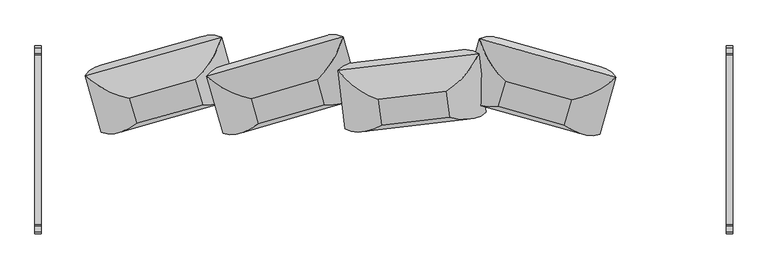
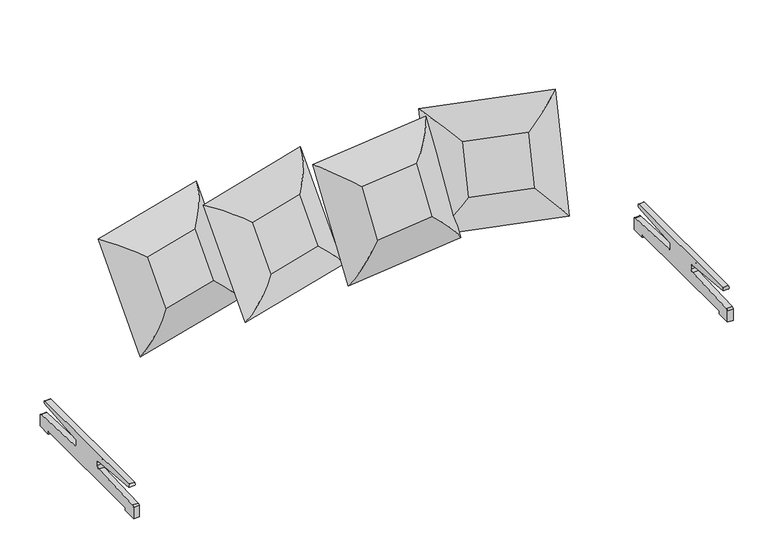
"""IFC4 building model written with IfcOpenShell, lengths in millimetres: furniture geometry."""

from ifc_helpers import new_model, si_unit, point, frame, frame_2d, origin, place, context, project, spatial, polyline, circle_curve, ellipse_curve, trimmed, segment, composite_curve, outline, extrude, source, transform, mapped, element, save
from ifc_brep_helpers import plane_surface, cylinder_surface, advanced_brep


def furniture_474eeb82(model_context):
    return source(origin(), model_context, "Body", "SolidModel", [
        advanced_brep(
        [(255.240141, 65.2014479, 601.3597902), (394.4647657, 84.4951829, 442.9525085), (366.581497, 311.0779285, 890.9951012), (242.9015887, 165.4659857, 799.6219453), (239.4114435, 200.0652184, 532.1718162), (227.0728913, 300.3297562, 730.4339713), (-176.6726405, 246.680269, 889.7534724), (-21.9665089, 134.0683683, 799.0165788), (-37.7952063, 268.9321388, 729.8286048), (-148.7893718, 20.0975233, 441.7108798), (-9.6279566, 33.8038305, 600.7544237), (-25.4566541, 168.667601, 531.5664497)],
        [
            (0, 1, ellipse_curve(frame((226.2510189, 233.1706175, 524.923135), z_axis=(0.6629793337799581, 0.4018573100621228, 0.6316400124519643), x_axis=(0.7413979447921711, -0.23538161552146022, -0.6284302527189888)), 263.8641638, 186.5801395)),
            (1, 2),
            (2, 3, ellipse_curve(frame((214.9314556, 325.1547303, 706.8116554), z_axis=(0.74139794479217, -0.23538161552146097, -0.6284302527189898), x_axis=(-0.6629793337799593, -0.4018573100621223, -0.6316400124519634)), 263.8641638, 186.5801395)),
            (3, 0),
            (1, 4, ellipse_curve(frame((252.439823, 47.9524619, 615.2730698), z_axis=(0.6629793337799581, 0.4018573100621228, 0.6316400124519643), x_axis=(0.7413979447921711, -0.23538161552146022, -0.6284302527189888)), 245.7274984, 173.7555804)),
            (4, 5),
            (5, 2, ellipse_curve(frame((240.6313477, 143.9095312, 805.0176771), z_axis=(0.74139794479217, -0.23538161552146097, -0.6284302527189898), x_axis=(-0.6629793337799593, -0.4018573100621223, -0.6316400124519634)), 245.7274984, 173.7555804)),
            (2, 6),
            (6, 7, ellipse_curve(frame((-31.6878497, 295.9203352, 706.2479973), z_axis=(0.6629793337799591, 0.4018573100621221, 0.6316400124519638), x_axis=(0.7413979447921704, -0.23538161552146047, -0.6284302527189896)), 263.8641638, 186.5801395)),
            (7, 3),
            (5, 8),
            (8, 6, ellipse_curve(frame((-14.743747, 113.6372198, 804.4340072), z_axis=(0.6629793337799591, 0.4018573100621221, 0.6316400124519638), x_axis=(0.7413979447921704, -0.23538161552146047, -0.6284302527189896)), 245.7274984, 173.7555804)),
            (6, 9),
            (9, 10, ellipse_curve(frame((-20.3682864, 203.9362225, 524.3594769), z_axis=(-0.7413979447921716, 0.23538161552145967, 0.6284302527189884), x_axis=(0.6629793337799577, 0.4018573100621228, 0.6316400124519651)), 263.8641638, 186.5801395)),
            (10, 7),
            (8, 11),
            (11, 9, ellipse_curve(frame((-2.9352718, 17.6801506, 614.6893999), z_axis=(-0.7413979447921716, 0.23538161552145967, 0.6284302527189884), x_axis=(0.6629793337799577, 0.4018573100621228, 0.6316400124519651)), 245.7274984, 173.7555804)),
            (0, 10),
            (9, 1),
            (11, 4),
        ],
        [
            cylinder_surface(frame((226.7605134, 229.030405, 516.7363177), z_axis=(0.055450331617964914, -0.4505959655161815, -0.8910042292739123), x_axis=(-0.9930446970226626, -0.11771609251244215, -0.0022696428731658037)), 186.5801395),
            cylinder_surface(frame((252.7048615, 45.7987277, 611.0142959), z_axis=(0.055450331617964914, -0.4505959655161815, -0.8910042292739123), x_axis=(-0.9930446970226626, -0.11771609251244215, -0.0022696428731658037)), 173.7555804),
            cylinder_surface(frame((224.0558517, 326.2363415, 706.8325096), z_axis=(0.9930446970226625, 0.11771609251244157, 0.0022696428731643573), x_axis=(0.05545033161796333, -0.4505959655161813, -0.8910042292739123)), 186.5801395),
            cylinder_surface(frame((245.3778492, 144.4721842, 805.0285254), z_axis=(0.9930446970226625, 0.11771609251244157, 0.0022696428731643573), x_axis=(0.05545033161796333, -0.4505959655161813, -0.8910042292739123)), 173.7555804),
            cylinder_surface(frame((-32.1973442, 300.0605478, 714.4348146), z_axis=(-0.05545033161796614, 0.45059596551618103, 0.8910042292739125), x_axis=(0.9930446970226625, 0.1177160925124428, 0.0022696428731668883)), 186.5801395),
            cylinder_surface(frame((-15.0087855, 115.7909541, 808.6927811), z_axis=(-0.05545033161796614, 0.45059596551618103, 0.8910042292739125), x_axis=(0.9930446970226625, 0.1177160925124428, 0.0022696428731668883)), 173.7555804),
            cylinder_surface(frame((-29.4926826, 202.8546113, 524.3386227), z_axis=(-0.9930446970226622, -0.1177160925124434, -0.00226964287316752), x_axis=(-0.05545033161796694, 0.4505959655161806, 0.8910042292739123)), 186.5801395),
            cylinder_surface(frame((-7.6817732, 17.1174975, 614.6785516), z_axis=(-0.9930446970226622, -0.1177160925124434, -0.00226964287316752), x_axis=(-0.05545033161796694, 0.4505959655161806, 0.8910042292739123)), 173.7555804),
            plane_surface(frame((-9.6279566, 33.8038305, 600.7544237), z_axis=(0.10386284436037418, -0.8849328773551941, 0.45398933042223594), x_axis=(0.993044697022662, 0.11771609251244286, 0.0022696428731668085))),
            plane_surface(frame((-25.4566541, 168.667601, 531.5664497), z_axis=(-0.10386284436037418, 0.8849328773551941, -0.45398933042223594), x_axis=(-0.993044697022662, -0.11771609251244286, -0.0022696428731668085))),
        ],
        [
            (0, [[1, 2, 3, 4]]),
            (1, [[-2, 5, 6, 7]]),
            (2, [[-3, 8, 9, 10]]),
            (3, [[-7, 11, 12, -8]]),
            (4, [[-9, 13, 14, 15]]),
            (5, [[-12, 16, 17, -13]]),
            (6, [[-1, 18, -14, 19]]),
            (7, [[-5, -19, -17, 20]]),
            (8, [[-4, -10, -15, -18]]),
            (9, [[-6, -20, -16, -11]]),
        ],
    ),
        advanced_brep(
        [(441.2222633, 107.7690592, 601.3597902), (469.0937368, 204.8689993, 799.6219453), (369.7152598, 368.0360178, 890.9951012), (306.7299298, 148.604786, 442.9525085), (505.8248985, 335.5962192, 730.4339713), (477.953425, 238.4962791, 532.1718162), (725.7891991, 132.4234395, 799.0165788), (896.207024, 219.4475299, 889.7534724), (762.5203608, 263.1506594, 729.8286048), (697.9177256, 35.3234994, 600.7544237), (833.221694, 0.0162981, 441.7108798), (734.6488873, 166.0507193, 531.5664497)],
        [
            (0, 1),
            (1, 2, ellipse_curve(frame((521.7003345, 358.2162176, 706.8116554), z_axis=(-0.7690919029168296, -0.11650348636550059, -0.6284302527189898), x_axis=(0.5919526247079211, -0.500622597143883, -0.6316400124519633)), 263.8641638, 186.5801395)),
            (2, 3),
            (3, 0, ellipse_curve(frame((496.1306484, 269.1353518, 524.923135), z_axis=(-0.5919526247079198, 0.5006225971438834, 0.6316400124519643), x_axis=(-0.7690919029168306, -0.11650348636549968, -0.6284302527189888)), 263.8641638, 186.5801395)),
            (2, 4, ellipse_curve(frame((467.9638549, 183.2227966, 805.0176771), z_axis=(-0.7690919029168296, -0.11650348636550059, -0.6284302527189898), x_axis=(0.5919526247079211, -0.500622597143883, -0.6316400124519633)), 245.7274984, 173.7555804)),
            (4, 5),
            (5, 3, ellipse_curve(frame((441.2897688, 90.2943706, 615.2730698), z_axis=(-0.5919526247079198, 0.5006225971438834, 0.6316400124519643), x_axis=(-0.7690919029168306, -0.11650348636549968, -0.6284302527189888)), 245.7274984, 173.7555804)),
            (1, 6),
            (6, 7, ellipse_curve(frame((760.71008, 290.7619874, 706.2479973), z_axis=(-0.5919526247079208, 0.5006225971438829, 0.6316400124519639), x_axis=(-0.7690919029168299, -0.11650348636549994, -0.6284302527189896)), 263.8641638, 186.5801395)),
            (7, 2),
            (7, 8, ellipse_curve(frame((715.4592257, 113.3737213, 804.4340072), z_axis=(-0.5919526247079208, 0.5006225971438829, 0.6316400124519639), x_axis=(-0.7690919029168299, -0.11650348636549994, -0.6284302527189896)), 245.7274984, 173.7555804)),
            (8, 4),
            (6, 9),
            (9, 10, ellipse_curve(frame((735.1403938, 201.6811216, 524.3594769), z_axis=(0.769091902916831, 0.11650348636549901, 0.6284302527189884), x_axis=(-0.5919526247079193, 0.5006225971438832, 0.6316400124519651)), 263.8641638, 186.5801395)),
            (10, 7),
            (10, 11, ellipse_curve(frame((688.7851395, 20.4452953, 614.6893999), z_axis=(0.769091902916831, 0.11650348636549901, 0.6284302527189884), x_axis=(-0.5919526247079193, 0.5006225971438832, 0.6316400124519651)), 245.7274984, 173.7555804)),
            (11, 8),
            (3, 10),
            (9, 0),
            (5, 11),
        ],
        [
            cylinder_surface(frame((494.9797547, 265.1258147, 516.7363177), z_axis=(-0.1252563848360104, -0.43637403849658074, -0.8910042292739123), x_axis=(0.9624038149803031, -0.2716132280147413, -0.0022696428731658037)), 186.5801395),
            cylinder_surface(frame((440.6910751, 88.2086136, 611.0142959), z_axis=(-0.1252563848360104, -0.43637403849658074, -0.8910042292739123), x_axis=(0.9624038149803031, -0.2716132280147413, -0.0022696428731658037)), 173.7555804),
            cylinder_surface(frame((512.8574761, 360.7118824, 706.8325096), z_axis=(-0.9624038149803031, 0.2716132280147407, 0.0022696428731643573), x_axis=(-0.1252563848360088, -0.43637403849658074, -0.8910042292739123)), 186.5801395),
            cylinder_surface(frame((463.3638091, 184.5210388, 805.0285254), z_axis=(-0.9624038149803031, 0.2716132280147407, 0.0022696428731643573), x_axis=(-0.1252563848360088, -0.43637403849658074, -0.8910042292739123)), 173.7555804),
            cylinder_surface(frame((761.8609737, 294.7715246, 714.4348146), z_axis=(0.12525638483601154, 0.4363740384965801, 0.8910042292739125), x_axis=(-0.9624038149803029, 0.2716132280147419, 0.0022696428731668883)), 186.5801395),
            cylinder_surface(frame((716.0579194, 115.4594783, 808.6927811), z_axis=(0.12525638483601154, 0.4363740384965801, 0.8910042292739125), x_axis=(-0.9624038149803029, 0.2716132280147419, 0.0022696428731668883)), 173.7555804),
            cylinder_surface(frame((743.9832522, 199.1854568, 524.3386227), z_axis=(0.9624038149803026, -0.2716132280147424, -0.00226964287316752), x_axis=(0.12525638483601226, 0.43637403849657946, 0.8910042292739123)), 186.5801395),
            cylinder_surface(frame((693.3851853, 19.147053, 614.6785516), z_axis=(0.9624038149803026, -0.2716132280147424, -0.00226964287316752), x_axis=(0.12525638483601226, 0.43637403849657946, 0.8910042292739123)), 173.7555804),
            plane_surface(frame((697.9177256, 35.3234994, 600.7544237), z_axis=(-0.24101812166136574, -0.8577901566779589, 0.4539893304222359), x_axis=(-0.9624038149803024, 0.2716132280147419, 0.0022696428731668085))),
            plane_surface(frame((734.6488873, 166.0507193, 531.5664497), z_axis=(0.24101812166136574, 0.8577901566779589, -0.4539893304222359), x_axis=(0.9624038149803024, -0.2716132280147419, -0.0022696428731668085))),
        ],
        [
            (0, [[1, 2, 3, 4]]),
            (1, [[5, 6, 7, -3]]),
            (2, [[8, 9, 10, -2]]),
            (3, [[-10, 11, 12, -5]]),
            (4, [[13, 14, 15, -9]]),
            (5, [[-15, 16, 17, -11]]),
            (6, [[18, -14, 19, -4]]),
            (7, [[20, -16, -18, -7]]),
            (8, [[-19, -13, -8, -1]]),
            (9, [[-12, -17, -20, -6]]),
        ],
    ),
        advanced_brep(
        [(-484.3787302, 39.8073159, 601.3597902), (-512.197509, 136.922366, 799.6219453), (-682.9405835, 222.6332759, 890.9951012), (-620.0743358, 3.1678978, 442.9525085), (-550.3225894, 267.2498861, 730.4339713), (-522.5038106, 170.134836, 532.1718162), (-256.1171131, 211.5129174, 799.0165788), (-157.7103431, 375.62122, 889.7534724), (-294.2421935, 341.8404376, 729.8286048), (-228.2983344, 114.3978673, 600.7544237), (-94.8440954, 156.1558419, 441.7108798), (-266.4234148, 244.7253875, 531.5664497)],
        [
            (0, 1),
            (1, 2, ellipse_curve(frame((-548.846229, 294.8454321, 706.8116554), z_axis=(-0.5904894822625376, -0.5063571751292429, -0.6284302527189898), x_axis=(0.767293854735353, -0.1108649410546297, -0.6316400124519633)), 263.8641638, 186.5801395)),
            (2, 3),
            (3, 0, ellipse_curve(frame((-523.3248858, 205.7507041, 524.923135), z_axis=(-0.767293854735352, 0.11086494105463082, 0.6316400124519643), x_axis=(-0.5904894822625392, -0.5063571751292425, -0.6284302527189887)), 263.8641638, 186.5801395)),
            (2, 4, ellipse_curve(frame((-501.6849633, 117.9665988, 805.0176771), z_axis=(-0.5904894822625376, -0.5063571751292429, -0.6284302527189898), x_axis=(0.767293854735353, -0.1108649410546297, -0.6316400124519633)), 245.7274984, 173.7555804)),
            (4, 5),
            (5, 3, ellipse_curve(frame((-475.0613082, 25.023712, 615.2730698), z_axis=(-0.767293854735352, 0.11086494105463082, 0.6316400124519643), x_axis=(-0.5904894822625392, -0.5063571751292425, -0.6284302527189887)), 245.7274984, 173.7555804)),
            (1, 6),
            (6, 7, ellipse_curve(frame((-310.4091734, 364.296869, 706.2479973), z_axis=(-0.7672938547353526, 0.11086494105462981, 0.6316400124519638), x_axis=(-0.5904894822625384, -0.5063571751292425, -0.6284302527189894)), 263.8641638, 186.5801395)),
            (7, 2),
            (7, 8, ellipse_curve(frame((-254.7826147, 189.8837882, 804.4340072), z_axis=(-0.7672938547353526, 0.11086494105462981, 0.6316400124519638), x_axis=(-0.5904894822625384, -0.5063571751292425, -0.6284302527189894)), 245.7274984, 173.7555804)),
            (8, 4),
            (6, 9),
            (9, 10, ellipse_curve(frame((-284.8878302, 275.2021411, 524.3594769), z_axis=(0.5904894822625397, 0.5063571751292423, 0.6284302527189884), x_axis=(-0.7672938547353516, 0.11086494105463092, 0.6316400124519651)), 263.8641638, 186.5801395)),
            (10, 7),
            (10, 11, ellipse_curve(frame((-228.1589596, 96.9409014, 614.6893999), z_axis=(0.5904894822625397, 0.5063571751292423, 0.6284302527189884), x_axis=(-0.7672938547353516, 0.11086494105463092, 0.6316400124519651)), 245.7274984, 173.7555804)),
            (11, 8),
            (3, 10),
            (9, 0),
            (5, 11),
        ],
        [
            cylinder_surface(frame((-522.176168, 201.7405431, 516.7363177), z_axis=(0.12501957071895922, -0.4364419438519278, -0.8910042292739123), x_axis=(0.9600978049733087, 0.27965524062077635, -0.0022696428731658037)), 186.5801395),
            cylinder_surface(frame((-474.4637464, 22.9376303, 611.0142959), z_axis=(0.12501957071895922, -0.4364419438519278, -0.8910042292739123), x_axis=(0.9600978049733087, 0.27965524062077635, -0.0022696428731658037)), 173.7555804),
            cylinder_surface(frame((-557.6678991, 292.2758748, 706.8325096), z_axis=(-0.9600978049733084, -0.27965524062077685, 0.0022696428731643573), x_axis=(0.1250195707189606, -0.436441943851927, -0.8910042292739123)), 186.5801395),
            cylinder_surface(frame((-506.273987, 116.6299178, 805.0285254), z_axis=(-0.9600978049733084, -0.27965524062077685, 0.0022696428731643573), x_axis=(0.1250195707189606, -0.436441943851927, -0.8910042292739123)), 173.7555804),
            cylinder_surface(frame((-311.5578911, 368.3070301, 714.4348146), z_axis=(-0.1250195707189579, 0.4364419438519278, 0.8910042292739125), x_axis=(-0.9600978049733089, -0.2796552406207757, 0.0022696428731668883)), 186.5801395),
            cylinder_surface(frame((-255.3801765, 191.9698699, 808.6927811), z_axis=(-0.1250195707189579, 0.4364419438519278, 0.8910042292739125), x_axis=(-0.9600978049733089, -0.2796552406207757, 0.0022696428731668883)), 173.7555804),
            cylinder_surface(frame((-276.0661601, 277.7716983, 524.3386227), z_axis=(0.9600978049733089, 0.27965524062077496, -0.00226964287316752), x_axis=(-0.125019570718957, 0.43644194385192775, 0.8910042292739123)), 186.5801395),
            cylinder_surface(frame((-223.5699359, 98.2775824, 614.6785516), z_axis=(0.9600978049733089, 0.27965524062077496, -0.00226964287316752), x_axis=(-0.125019570718957, 0.43644194385192775, 0.8910042292739123)), 173.7555804),
            plane_surface(frame((-228.2983344, 114.3978673, 600.7544237), z_axis=(0.25016456947913895, -0.8551674549701285, 0.45398933042223577), x_axis=(-0.9600978049733081, -0.27965524062077535, 0.002269642873166808))),
            plane_surface(frame((-266.4234148, 244.7253875, 531.5664497), z_axis=(-0.25016456947913895, 0.8551674549701285, -0.45398933042223577), x_axis=(0.9600978049733081, 0.27965524062077535, -0.002269642873166808))),
        ],
        [
            (0, [[1, 2, 3, 4]]),
            (1, [[5, 6, 7, -3]]),
            (2, [[8, 9, 10, -2]]),
            (3, [[-10, 11, 12, -5]]),
            (4, [[13, 14, 15, -9]]),
            (5, [[-15, 16, 17, -11]]),
            (6, [[18, -14, 19, -4]]),
            (7, [[20, -16, -18, -7]]),
            (8, [[-19, -13, -8, -1]]),
            (9, [[-12, -17, -20, -6]]),
        ],
    ),
        advanced_brep(
        [(-697.7315147, 114.477322, 601.3597902), (-563.2391813, 155.3130488, 442.9525085), (-626.2245113, 374.7442806, 890.9951012), (-725.6029882, 211.5772621, 799.6219453), (-734.4626764, 245.2045419, 532.1718162), (-762.33415, 342.304482, 730.4339713), (-1152.7162754, 226.1557927, 889.7534724), (-982.2984505, 139.1317023, 799.0165788), (-1019.0296123, 269.8589222, 729.8286048), (-1089.7309454, 6.7245609, 441.7108798), (-954.426977, 42.0317622, 600.7544237), (-991.1581387, 172.7589821, 531.5664497)],
        [
            (0, 1, ellipse_curve(frame((-752.6398998, 275.8436146, 524.923135), z_axis=(0.5919526247079198, 0.5006225971438834, 0.6316400124519643), x_axis=(0.7690919029168306, -0.11650348636549968, -0.6284302527189888)), 263.8641638, 186.5801395)),
            (1, 2),
            (2, 3, ellipse_curve(frame((-778.2095859, 364.9244804, 706.8116554), z_axis=(0.7690919029168296, -0.11650348636550059, -0.6284302527189898), x_axis=(-0.5919526247079211, -0.500622597143883, -0.6316400124519633)), 263.8641638, 186.5801395)),
            (3, 0),
            (1, 4, ellipse_curve(frame((-697.7990202, 97.0026334, 615.2730698), z_axis=(0.5919526247079198, 0.5006225971438834, 0.6316400124519643), x_axis=(0.7690919029168306, -0.11650348636549968, -0.6284302527189888)), 245.7274984, 173.7555804)),
            (4, 5),
            (5, 2, ellipse_curve(frame((-724.4731063, 189.9310594, 805.0176771), z_axis=(0.7690919029168296, -0.11650348636550059, -0.6284302527189898), x_axis=(-0.5919526247079211, -0.500622597143883, -0.6316400124519633)), 245.7274984, 173.7555804)),
            (2, 6),
            (6, 7, ellipse_curve(frame((-1017.2193314, 297.4702502, 706.2479973), z_axis=(0.5919526247079208, 0.5006225971438829, 0.6316400124519639), x_axis=(0.7690919029168299, -0.11650348636549994, -0.6284302527189896)), 263.8641638, 186.5801395)),
            (7, 3),
            (5, 8),
            (8, 6, ellipse_curve(frame((-971.9684771, 120.0819841, 804.4340072), z_axis=(0.5919526247079208, 0.5006225971438829, 0.6316400124519639), x_axis=(0.7690919029168299, -0.11650348636549994, -0.6284302527189896)), 245.7274984, 173.7555804)),
            (6, 9),
            (9, 10, ellipse_curve(frame((-991.6496452, 208.3893844, 524.3594769), z_axis=(-0.769091902916831, 0.11650348636549901, 0.6284302527189884), x_axis=(0.5919526247079193, 0.5006225971438832, 0.6316400124519651)), 263.8641638, 186.5801395)),
            (10, 7),
            (8, 11),
            (11, 9, ellipse_curve(frame((-945.294391, 27.1535581, 614.6893999), z_axis=(-0.769091902916831, 0.11650348636549901, 0.6284302527189884), x_axis=(0.5919526247079193, 0.5006225971438832, 0.6316400124519651)), 245.7274984, 173.7555804)),
            (0, 10),
            (9, 1),
            (11, 4),
        ],
        [
            cylinder_surface(frame((-751.4890061, 271.8340775, 516.7363177), z_axis=(0.1252563848360104, -0.43637403849658074, -0.8910042292739123), x_axis=(-0.9624038149803031, -0.2716132280147413, -0.0022696428731658037)), 186.5801395),
            cylinder_surface(frame((-697.2003265, 94.9168763, 611.0142959), z_axis=(0.1252563848360104, -0.43637403849658074, -0.8910042292739123), x_axis=(-0.9624038149803031, -0.2716132280147413, -0.0022696428731658037)), 173.7555804),
            cylinder_surface(frame((-769.3667275, 367.4201452, 706.8325096), z_axis=(0.9624038149803031, 0.2716132280147407, 0.0022696428731643573), x_axis=(0.1252563848360088, -0.43637403849658074, -0.8910042292739123)), 186.5801395),
            cylinder_surface(frame((-719.8730606, 191.2293016, 805.0285254), z_axis=(0.9624038149803031, 0.2716132280147407, 0.0022696428731643573), x_axis=(0.1252563848360088, -0.43637403849658074, -0.8910042292739123)), 173.7555804),
            cylinder_surface(frame((-1018.3702251, 301.4797874, 714.4348146), z_axis=(-0.12525638483601154, 0.4363740384965801, 0.8910042292739125), x_axis=(0.9624038149803029, 0.2716132280147419, 0.0022696428731668883)), 186.5801395),
            cylinder_surface(frame((-972.5671708, 122.1677411, 808.6927811), z_axis=(-0.12525638483601154, 0.4363740384965801, 0.8910042292739125), x_axis=(0.9624038149803029, 0.2716132280147419, 0.0022696428731668883)), 173.7555804),
            cylinder_surface(frame((-1000.4925037, 205.8937196, 524.3386227), z_axis=(-0.9624038149803026, -0.2716132280147424, -0.00226964287316752), x_axis=(-0.12525638483601226, 0.43637403849657946, 0.8910042292739123)), 186.5801395),
            cylinder_surface(frame((-949.8944367, 25.8553158, 614.6785516), z_axis=(-0.9624038149803026, -0.2716132280147424, -0.00226964287316752), x_axis=(-0.12525638483601226, 0.43637403849657946, 0.8910042292739123)), 173.7555804),
            plane_surface(frame((-954.426977, 42.0317622, 600.7544237), z_axis=(0.24101812166136574, -0.8577901566779589, 0.4539893304222359), x_axis=(0.9624038149803024, 0.2716132280147419, 0.0022696428731668085))),
            plane_surface(frame((-991.1581387, 172.7589821, 531.5664497), z_axis=(-0.24101812166136574, 0.8577901566779589, -0.4539893304222359), x_axis=(-0.9624038149803024, -0.2716132280147419, -0.0022696428731668085))),
        ],
        [
            (0, [[1, 2, 3, 4]]),
            (1, [[-2, 5, 6, 7]]),
            (2, [[-3, 8, 9, 10]]),
            (3, [[-7, 11, 12, -8]]),
            (4, [[-9, 13, 14, 15]]),
            (5, [[-12, 16, 17, -13]]),
            (6, [[-1, 18, -14, 19]]),
            (7, [[-5, -19, -17, 20]]),
            (8, [[-4, -10, -15, -18]]),
            (9, [[-6, -20, -16, -11]]),
        ],
    ),
        extrude(outline(composite_curve([segment(trimmed(circle_curve(frame_2d((301.6025981, 135.0287131)), 8.2813281), [point((305.0998594, 142.5353474))], [point((304.4846526, 127.2650698))], False, "CARTESIAN"), True, "CONTINUOUS"), segment(polyline([(304.4846526, 127.2650698), (67.9746703, 105.9960919)]), True, "CONTINUOUS"), segment(trimmed(circle_curve(frame_2d((67.9746703, 97.554557)), 8.4415349), [point((67.9746703, 105.9960919))], [point((59.5331354, 97.554557))], True, "CARTESIAN"), True, "CONTINUOUS"), segment(polyline([(59.5331354, 97.554557), (59.5331354, 81.9730579)]), True, "CONTINUOUS"), segment(trimmed(circle_curve(frame_2d((70.0389157, 81.9730579)), 10.5057802), [point((59.5331354, 81.9730579))], [point((70.0389157, 71.4672776))], True, "CARTESIAN"), True, "CONTINUOUS"), segment(polyline([(70.0389157, 71.4672776), (333.1747619, 60.2417308)]), True, "CONTINUOUS"), segment(trimmed(circle_curve(frame_2d((332.8044735, 51.5618743)), 8.6877512), [point((333.1747619, 60.2417308))], [point((341.2881636, 53.4337784))], False, "CARTESIAN"), True, "CONTINUOUS"), segment(polyline([(341.2881636, 53.4337784), (341.2881636, 0.0), (277.6339056, 0.0), (277.6339056, 13.4697401), (-320.5207421, 13.4697401), (-320.5207421, 0.0), (-384.175, 0.0), (-384.175, 53.4337784)]), True, "CONTINUOUS"), segment(trimmed(circle_curve(frame_2d((-375.69131, 51.5618743)), 8.6877512), [point((-384.175, 53.4337784))], [point((-376.0615983, 60.2417308))], False, "CARTESIAN"), True, "CONTINUOUS"), segment(polyline([(-376.0615983, 60.2417308), (-112.9257521, 71.4672776)]), True, "CONTINUOUS"), segment(trimmed(circle_curve(frame_2d((-112.9257521, 81.9730579)), 10.5057802), [point((-112.9257521, 71.4672776))], [point((-102.4199718, 81.9730579))], True, "CARTESIAN"), True, "CONTINUOUS"), segment(polyline([(-102.4199718, 81.9730579), (-102.4199718, 97.554557)]), True, "CONTINUOUS"), segment(trimmed(circle_curve(frame_2d((-110.8615067, 97.554557)), 8.4415349), [point((-102.4199718, 97.554557))], [point((-110.8615067, 105.9960919))], True, "CARTESIAN"), True, "CONTINUOUS"), segment(polyline([(-110.8615067, 105.9960919), (-347.371489, 127.2650698)]), True, "CONTINUOUS"), segment(trimmed(circle_curve(frame_2d((-344.4894345, 135.0287131)), 8.2813281), [point((-347.371489, 127.2650698))], [point((-347.9866958, 142.5353474))], False, "CARTESIAN"), True, "CONTINUOUS"), segment(polyline([(-347.9866958, 142.5353474), (305.0998594, 142.5353474)]), True, "CONTINUOUS")], self_intersect=False)), frame((1320.8, 0.0, 0.0), z_axis=(1.0, 0.0, 0.0), x_axis=(0.0, 1.0, 0.0)), (0.0, 0.0, 1.0), 25.4),
        extrude(outline(composite_curve([segment(trimmed(circle_curve(frame_2d((301.6025981, 135.0287131)), 8.2813281), [point((305.0998594, 142.5353474))], [point((304.4846526, 127.2650698))], False, "CARTESIAN"), True, "CONTINUOUS"), segment(polyline([(304.4846526, 127.2650698), (67.9746703, 105.9960919)]), True, "CONTINUOUS"), segment(trimmed(circle_curve(frame_2d((67.9746703, 97.554557)), 8.4415349), [point((67.9746703, 105.9960919))], [point((59.5331354, 97.554557))], True, "CARTESIAN"), True, "CONTINUOUS"), segment(polyline([(59.5331354, 97.554557), (59.5331354, 81.9730579)]), True, "CONTINUOUS"), segment(trimmed(circle_curve(frame_2d((70.0389157, 81.9730579)), 10.5057802), [point((59.5331354, 81.9730579))], [point((70.0389157, 71.4672776))], True, "CARTESIAN"), True, "CONTINUOUS"), segment(polyline([(70.0389157, 71.4672776), (333.1747619, 60.2417308)]), True, "CONTINUOUS"), segment(trimmed(circle_curve(frame_2d((332.8044735, 51.5618743)), 8.6877512), [point((333.1747619, 60.2417308))], [point((341.2881636, 53.4337784))], False, "CARTESIAN"), True, "CONTINUOUS"), segment(polyline([(341.2881636, 53.4337784), (341.2881636, 0.0), (277.6339056, 0.0), (277.6339056, 13.4697401), (-320.5207421, 13.4697401), (-320.5207421, 0.0), (-384.175, 0.0), (-384.175, 53.4337784)]), True, "CONTINUOUS"), segment(trimmed(circle_curve(frame_2d((-375.69131, 51.5618743)), 8.6877512), [point((-384.175, 53.4337784))], [point((-376.0615983, 60.2417308))], False, "CARTESIAN"), True, "CONTINUOUS"), segment(polyline([(-376.0615983, 60.2417308), (-112.9257521, 71.4672776)]), True, "CONTINUOUS"), segment(trimmed(circle_curve(frame_2d((-112.9257521, 81.9730579)), 10.5057802), [point((-112.9257521, 71.4672776))], [point((-102.4199718, 81.9730579))], True, "CARTESIAN"), True, "CONTINUOUS"), segment(polyline([(-102.4199718, 81.9730579), (-102.4199718, 97.554557)]), True, "CONTINUOUS"), segment(trimmed(circle_curve(frame_2d((-110.8615067, 97.554557)), 8.4415349), [point((-102.4199718, 97.554557))], [point((-110.8615067, 105.9960919))], True, "CARTESIAN"), True, "CONTINUOUS"), segment(polyline([(-110.8615067, 105.9960919), (-347.371489, 127.2650698)]), True, "CONTINUOUS"), segment(trimmed(circle_curve(frame_2d((-344.4894345, 135.0287131)), 8.2813281), [point((-347.371489, 127.2650698))], [point((-347.9866958, 142.5353474))], False, "CARTESIAN"), True, "CONTINUOUS"), segment(polyline([(-347.9866958, 142.5353474), (305.0998594, 142.5353474)]), True, "CONTINUOUS")], self_intersect=False)), frame((-1346.2, 0.0, 0.0), z_axis=(1.0, 0.0, 0.0), x_axis=(0.0, 1.0, 0.0)), (0.0, 0.0, 1.0), 25.4),
    ])


if __name__ == "__main__":
    model = new_model("IFC4")
    model_context = context("Model", 3, world=origin())
    ifc_project = project(units=[si_unit("LENGTHUNIT", "METRE", prefix="MILLI")], contexts=[model_context])
    site = spatial("IfcSite", under=ifc_project)
    building = spatial("IfcBuilding", under=site)
    placement = place(None, origin())
    furniture_shape = furniture_474eeb82(model_context)
    element("IfcFurniture", 1, at=placement, inside=building, context=model_context, shape_type="MappedRepresentation", body=[
        mapped(furniture_shape, transform((0.0, 0.0, 0.0), x_axis=(1.0, 0.0, 0.0), y_axis=(0.0, 1.0, 0.0), z_axis=(0.0, 0.0, 1.0))),
    ])
    save(model, "model.ifc")
